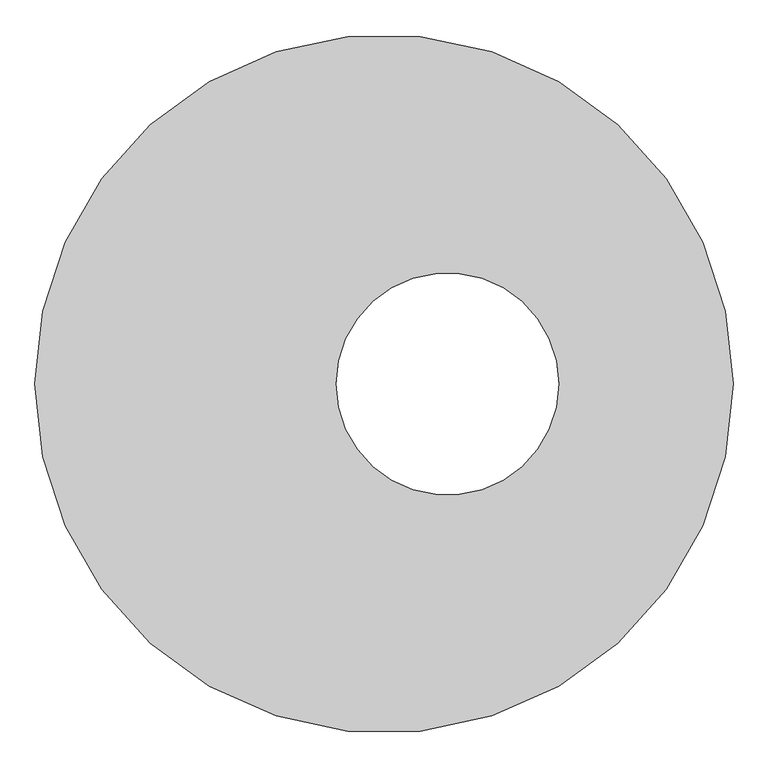
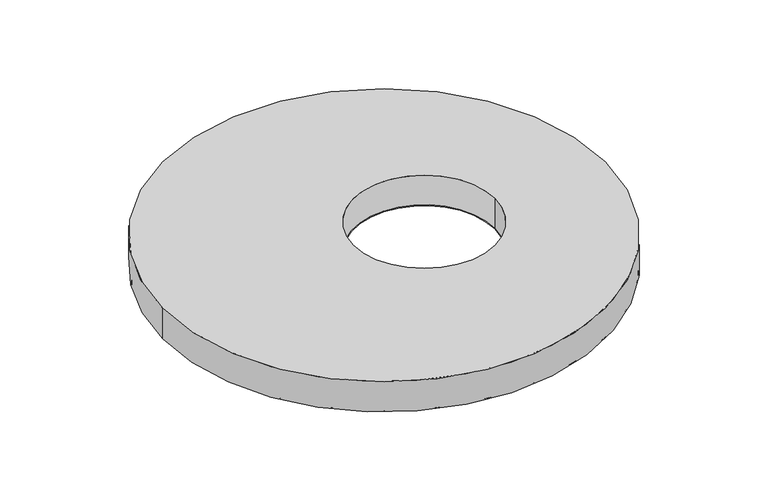
"""IFC4 building model written with IfcOpenShell, lengths in millimetres: proxy geometry."""

from ifc_helpers import new_model, si_unit, point, frame, frame_2d, origin, origin_with_axes, origin_2d, place, context, project, spatial, polyline, circle_curve, trimmed, segment, composite_curve, outline, extrude, source, transform, mapped, element, save
from ifc_brep_helpers import plane_surface, cylinder_surface, revolved_surface, advanced_brep


def generic_models_64044b31(model_context):
    return source(origin(), model_context, "Body", "SolidModel", [
        extrude(outline(composite_curve([segment(trimmed(circle_curve(origin_2d(), 1096.0), [point((-1096.0, 0.0))], [point((1096.0, 0.0))], False, "CARTESIAN"), True, "CONTINUOUS"), segment(trimmed(circle_curve(origin_2d(), 1096.0), [point((1096.0, 0.0))], [point((-1096.0, 0.0))], False, "CARTESIAN"), True, "CONTINUOUS")], self_intersect=False), holes=[composite_curve([segment(trimmed(circle_curve(frame_2d((200.0, 0.0)), 350.0), [point((-150.0, 0.0))], [point((550.0, 0.0))], True, "CARTESIAN"), True, "CONTINUOUS"), segment(trimmed(circle_curve(frame_2d((200.0, 0.0)), 350.0), [point((550.0, 0.0))], [point((-150.0, 0.0))], True, "CARTESIAN"), True, "CONTINUOUS")], self_intersect=False)]), origin_with_axes(), (0.0, 0.0, 1.0), 4.0),
        advanced_brep(
        [(-1100.0, 0.0, 160.0), (1100.0, 0.0, 160.0), (-150.0, 0.0, 160.0), (550.0, 0.0, 160.0), (-1100.0, 0.0, 0.0), (1100.0, 0.0, 0.0), (-1096.0, 0.0, 0.0), (1096.0, 0.0, 0.0), (-150.0, 0.0, 4.0), (550.0, 0.0, 4.0), (-1096.0, 0.0, 4.0), (1096.0, 0.0, 4.0)],
        [
            (0, 1, circle_curve(frame((0.0, 0.0, 160.0), z_axis=(0.0, 0.0, 1.0), x_axis=(1.0, 0.0, 0.0)), 1100.0)),
            (1, 0, circle_curve(frame((0.0, 0.0, 160.0), z_axis=(0.0, 0.0, 1.0), x_axis=(1.0, 0.0, 0.0)), 1100.0)),
            (2, 3, circle_curve(frame((200.0, 0.0, 160.0), z_axis=(0.0, 0.0, -1.0), x_axis=(1.0, 0.0, 0.0)), 350.0)),
            (3, 2, circle_curve(frame((200.0, 0.0, 160.0), z_axis=(0.0, 0.0, -1.0), x_axis=(1.0, 0.0, 0.0)), 350.0)),
            (4, 5, circle_curve(frame((0.0, 0.0, 0.0), z_axis=(0.0, 0.0, -1.0), x_axis=(1.0, 0.0, 0.0)), 1100.0)),
            (5, 4, circle_curve(frame((0.0, 0.0, 0.0), z_axis=(0.0, 0.0, -1.0), x_axis=(1.0, 0.0, 0.0)), 1100.0)),
            (6, 7, circle_curve(origin_with_axes(), 1096.0)),
            (7, 6, circle_curve(origin_with_axes(), 1096.0)),
            (0, 4),
            (5, 1),
            (2, 8),
            (8, 9, circle_curve(frame((200.0, 0.0, 4.0), z_axis=(0.0, 0.0, -1.0), x_axis=(1.0, 0.0, 0.0)), 350.0)),
            (9, 3),
            (9, 8, circle_curve(frame((200.0, 0.0, 4.0), z_axis=(0.0, 0.0, -1.0), x_axis=(1.0, 0.0, 0.0)), 350.0)),
            (10, 11, circle_curve(frame((0.0, 0.0, 4.0), z_axis=(0.0, 0.0, -1.0), x_axis=(1.0, 0.0, 0.0)), 1096.0)),
            (11, 10, circle_curve(frame((0.0, 0.0, 4.0), z_axis=(0.0, 0.0, -1.0), x_axis=(1.0, 0.0, 0.0)), 1096.0)),
            (11, 7),
            (6, 10),
        ],
        [
            plane_surface(frame((1100.0, 0.0, 160.0), z_axis=(0.0, 0.0, 1.0), x_axis=(0.0, 1.0, 0.0))),
            plane_surface(frame((1100.0, 0.0, 0.0), z_axis=(0.0, 0.0, -1.0), x_axis=(0.0, -1.0, 0.0))),
            cylinder_surface(origin_with_axes(), 1100.0),
            revolved_surface(polyline([(550.0, 0.0, 4.0), (550.0, 0.0, 160.0)]), (200.0, 0.0, 0.0), (0.0, 0.0, -1.0)),
            plane_surface(frame((1096.0, 0.0, 4.0), z_axis=(0.0, 0.0, -1.0), x_axis=(0.0, 1.0, 0.0))),
            revolved_surface(polyline([(1096.0, 0.0, 4.0), (1096.0, 0.0, 0.0)]), (0.0, 0.0, 0.0), (0.0, 0.0, 1.0)),
        ],
        [
            (0, [[1, 2], [3, 4]]),
            (1, [[5, 6], [7, 8]]),
            (2, [[-1, 9, -6, 10]]),
            (2, [[-2, -10, -5, -9]]),
            (3, [[-3, 11, 12, 13]]),
            (3, [[-4, -13, 14, -11]]),
            (4, [[15, 16], [-12, -14]]),
            (5, [[-16, 17, -7, 18]]),
            (5, [[-15, -18, -8, -17]]),
        ],
    ),
    ])


if __name__ == "__main__":
    model = new_model("IFC4")
    model_context = context("Model", 3, world=origin())
    ifc_project = project(units=[si_unit("LENGTHUNIT", "METRE", prefix="MILLI")], contexts=[model_context])
    site = spatial("IfcSite", under=ifc_project)
    building = spatial("IfcBuilding", under=site)
    placement = place(None, origin())
    generic_models_shape = generic_models_64044b31(model_context)
    element("IfcBuildingElementProxy", 1, Name="Generic Models", at=placement, inside=building, context=model_context, shape_type="MappedRepresentation", body=[
        mapped(generic_models_shape, transform((0.0, 0.0, 0.0), x_axis=(1.0, 0.0, 0.0), y_axis=(0.0, 1.0, 0.0), z_axis=(0.0, 0.0, 1.0))),
    ])
    save(model, "model.ifc")
